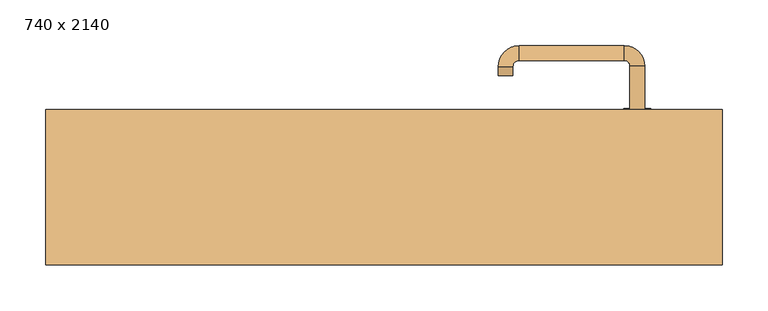
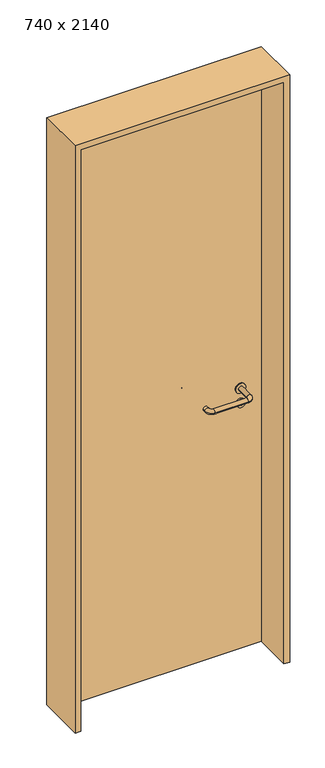
"""IFC4 building model written with IfcOpenShell, lengths in millimetres: door geometry, 740 x 2140."""

from ifc_helpers import new_model, si_unit, point, frame, frame_2d, origin, origin_with_axes, place, context, project, spatial, polyline, circle_curve, ellipse_curve, trimmed, segment, composite_curve, outline, extrude, source, transform, mapped, element, save
from ifc_brep_helpers import plane_surface, cylinder_surface, revolved_surface, advanced_brep


def door_740_x_2140_7834ea9a(model_context):
    return source(origin(), model_context, "Body", "SolidModel", [
        extrude(outline(composite_curve([segment(trimmed(circle_curve(frame_2d((897.3605726, 277.0)), 15.0), [point((897.3605726, 292.0))], [point((897.3605726, 262.0))], False, "CARTESIAN"), True, "CONTINUOUS"), segment(trimmed(circle_curve(frame_2d((897.3605726, 277.0)), 15.0), [point((897.3605726, 262.0))], [point((897.3605726, 292.0))], False, "CARTESIAN"), True, "CONTINUOUS")], self_intersect=False), holes=[composite_curve([segment(trimmed(circle_curve(frame_2d((892.5833211, 276.9398032)), 2.0), [point((892.5833211, 278.9398032))], [point((892.5833211, 274.9398032))], True, "CARTESIAN"), True, "CONTINUOUS"), segment(polyline([(892.5833211, 274.9398032), (902.5833211, 274.9398032)]), True, "CONTINUOUS"), segment(trimmed(circle_curve(frame_2d((902.5833211, 276.9398032)), 2.0), [point((902.5833211, 274.9398032))], [point((902.5833211, 278.9398032))], True, "CARTESIAN"), True, "CONTINUOUS"), segment(polyline([(902.5833211, 278.9398032), (892.5833211, 278.9398032)]), True, "CONTINUOUS")], self_intersect=False)]), frame((0.0, 123.65, 0.0), z_axis=(0.0, 1.0, 0.0), x_axis=(0.0, 0.0, 1.0)), (0.0, 0.0, 1.0), 6.35),
        extrude(outline(composite_curve([segment(trimmed(circle_curve(frame_2d((950.0, 277.0)), 17.526), [point((950.0, 294.526))], [point((950.0, 259.474))], False, "CARTESIAN"), True, "CONTINUOUS"), segment(trimmed(circle_curve(frame_2d((950.0, 277.0)), 17.526), [point((950.0, 259.474))], [point((950.0, 294.526))], False, "CARTESIAN"), True, "CONTINUOUS")], self_intersect=False)), frame((0.0, 126.825, 0.0), z_axis=(0.0, 1.0, 0.0), x_axis=(0.0, 0.0, 1.0)), (0.0, 0.0, 1.0), 3.175),
        advanced_brep(
        [(285.0, 130.0, 950.0), (269.0, 130.0, 950.0), (269.0, 77.0, 950.0), (285.0, 77.0, 950.0), (262.8578644, 70.8578644, 950.0), (262.8578644, 54.8578644, 950.0), (147.8578644, 70.8578644, 950.0), (147.8578644, 54.8578644, 950.0), (141.008622, 77.7071068, 950.0), (125.008622, 77.7071068, 950.0), (125.008622, 87.7071068, 950.0), (141.008622, 87.7071068, 950.0)],
        [
            (0, 1, circle_curve(frame((277.0, 130.0, 950.0), z_axis=(0.0, 1.0, 0.0), x_axis=(-1.0, 0.0, 0.0)), 8.0)),
            (1, 0, circle_curve(frame((277.0, 130.0, 950.0), z_axis=(0.0, 1.0, 0.0), x_axis=(-1.0, 0.0, 0.0)), 8.0)),
            (1, 2),
            (2, 3, circle_curve(frame((277.0, 77.0, 950.0), z_axis=(0.0, 1.0, 0.0), x_axis=(-1.0, 0.0, 0.0)), 8.0)),
            (3, 0),
            (3, 2, circle_curve(frame((277.0, 77.0, 950.0), z_axis=(0.0, 1.0, 0.0), x_axis=(-1.0, 0.0, 0.0)), 8.0)),
            (4, 5, circle_curve(frame((262.8578644, 62.8578644, 950.0), z_axis=(1.0, 0.0, 0.0), x_axis=(0.0, 1.0, 0.0)), 8.0)),
            (5, 3, circle_curve(frame((262.8578644, 77.0, 950.0), z_axis=(0.0, 0.0, 1.0), x_axis=(1.0, 0.0, 0.0)), 22.1421356)),
            (2, 4, circle_curve(frame((262.8578644, 77.0, 950.0), z_axis=(0.0, 0.0, -1.0), x_axis=(1.0, 0.0, 0.0)), 6.1421356)),
            (5, 4, circle_curve(frame((262.8578644, 62.8578644, 950.0), z_axis=(1.0, 0.0, 0.0), x_axis=(0.0, 1.0, 0.0)), 8.0)),
            (4, 6),
            (6, 7, circle_curve(frame((147.8578644, 62.8578644, 950.0), z_axis=(1.0, 0.0, 0.0), x_axis=(0.0, 1.0, 0.0)), 8.0)),
            (7, 5),
            (7, 6, circle_curve(frame((147.8578644, 62.8578644, 950.0), z_axis=(1.0, 0.0, 0.0), x_axis=(0.0, 1.0, 0.0)), 8.0)),
            (8, 9, circle_curve(frame((133.008622, 77.7071068, 950.0), z_axis=(0.0, -1.0, 0.0), x_axis=(1.0, 0.0, 0.0)), 8.0)),
            (9, 7, circle_curve(frame((147.8578644, 77.7071068, 950.0), z_axis=(0.0, 0.0, 1.0), x_axis=(0.0, -1.0, 0.0)), 22.8492424)),
            (6, 8, circle_curve(frame((147.8578644, 77.7071068, 950.0), z_axis=(0.0, 0.0, -1.0), x_axis=(0.0, -1.0, 0.0)), 6.8492424)),
            (9, 8, circle_curve(frame((133.008622, 77.7071068, 950.0), z_axis=(0.0, -1.0, 0.0), x_axis=(1.0, 0.0, 0.0)), 8.0)),
            (10, 11, circle_curve(frame((133.008622, 87.7071068, 950.0), z_axis=(0.0, 1.0, 0.0), x_axis=(1.0, 0.0, 0.0)), 8.0)),
            (11, 10, circle_curve(frame((133.008622, 87.7071068, 950.0), z_axis=(0.0, 1.0, 0.0), x_axis=(1.0, 0.0, 0.0)), 8.0)),
            (8, 11),
            (10, 9),
        ],
        [
            plane_surface(frame((277.0, 130.0, 0.0), z_axis=(0.0, 1.0, 0.0), x_axis=(0.0, 0.0, 1.0))),
            cylinder_surface(frame((277.0, 130.0, 950.0), z_axis=(0.0, 1.0, 0.0), x_axis=(-1.0, 0.0, 0.0)), 8.0),
            revolved_surface(trimmed(ellipse_curve(frame((277.0, 77.0, 950.0), z_axis=(0.0, -1.0, 0.0), x_axis=(-1.0, 0.0, 0.0)), 8.0, 8.0), [point((285.0, 77.0, 950.0))], [point((269.0, 77.0, 950.0))], True, "CARTESIAN"), (262.8578644, 77.0, 0.0), (0.0, 0.0, 1.0)),
            revolved_surface(trimmed(ellipse_curve(frame((277.0, 77.0, 950.0), z_axis=(0.0, -1.0, 0.0), x_axis=(-1.0, 0.0, 0.0)), 8.0, 8.0), [point((269.0, 77.0, 950.0))], [point((285.0, 77.0, 950.0))], True, "CARTESIAN"), (262.8578644, 77.0, 0.0), (0.0, 0.0, 1.0)),
            cylinder_surface(frame((262.8578644, 62.8578644, 950.0), z_axis=(1.0, 0.0, 0.0), x_axis=(0.0, 1.0, 0.0)), 8.0),
            revolved_surface(trimmed(ellipse_curve(frame((147.8578644, 62.8578644, 950.0), z_axis=(-1.0, 0.0, 0.0), x_axis=(0.0, 1.0, 0.0)), 8.0, 8.0), [point((147.8578644, 54.8578644, 950.0))], [point((147.8578644, 70.8578644, 950.0))], True, "CARTESIAN"), (147.8578644, 77.7071068, 0.0), (0.0, 0.0, 1.0)),
            revolved_surface(trimmed(ellipse_curve(frame((147.8578644, 62.8578644, 950.0), z_axis=(-1.0, 0.0, 0.0), x_axis=(0.0, 1.0, 0.0)), 8.0, 8.0), [point((147.8578644, 70.8578644, 950.0))], [point((147.8578644, 54.8578644, 950.0))], True, "CARTESIAN"), (147.8578644, 77.7071068, 0.0), (0.0, 0.0, 1.0)),
            plane_surface(frame((133.008622, 87.7071068, 0.0), z_axis=(0.0, 1.0, 0.0), x_axis=(0.0, 0.0, 1.0))),
            cylinder_surface(frame((133.008622, 77.7071068, 950.0), z_axis=(0.0, -1.0, 0.0), x_axis=(1.0, 0.0, 0.0)), 8.0),
        ],
        [
            (0, [[1, 2]]),
            (1, [[3, 4, 5, -2]]),
            (1, [[-5, 6, -3, -1]]),
            (2, [[7, 8, -4, 9]]),
            (3, [[10, -9, -6, -8]]),
            (4, [[11, 12, 13, -7]]),
            (4, [[-13, 14, -11, -10]]),
            (5, [[15, 16, -12, 17]]),
            (6, [[18, -17, -14, -16]]),
            (7, [[19, 20]]),
            (8, [[21, -19, 22, -15]]),
            (8, [[-22, -20, -21, -18]]),
        ],
    ),
        extrude(outline(composite_curve([segment(trimmed(circle_curve(frame_2d((0.0, -15.0)), 15.0), [point((0.0, -30.0))], [point((0.0, 0.0))], False, "CARTESIAN"), True, "CONTINUOUS"), segment(trimmed(circle_curve(frame_2d((0.0, -15.0)), 15.0), [point((0.0, 0.0))], [point((0.0, -30.0))], False, "CARTESIAN"), True, "CONTINUOUS")], self_intersect=False), holes=[composite_curve([segment(trimmed(circle_curve(frame_2d((4.7772515, -14.9398032)), 2.0), [point((4.7772515, -16.9398032))], [point((4.7772515, -12.9398032))], True, "CARTESIAN"), True, "CONTINUOUS"), segment(polyline([(4.7772515, -12.9398032), (-5.2227485, -12.9398032)]), True, "CONTINUOUS"), segment(trimmed(circle_curve(frame_2d((-5.2227485, -14.9398032)), 2.0), [point((-5.2227485, -12.9398032))], [point((-5.2227485, -16.9398032))], True, "CARTESIAN"), True, "CONTINUOUS"), segment(polyline([(-5.2227485, -16.9398032), (4.7772515, -16.9398032)]), True, "CONTINUOUS")], self_intersect=False)]), frame((262.0, 160.0, 897.3605726), z_axis=(1.8870575173328306e-12, 1.0, 0.0), x_axis=(0.0, 0.0, -1.0)), (0.0, 0.0, 1.0), 6.35),
        extrude(outline(composite_curve([segment(trimmed(circle_curve(frame_2d((0.0, -17.526)), 17.526), [point((0.0, -35.052))], [point((0.0, 0.0))], False, "CARTESIAN"), True, "CONTINUOUS"), segment(trimmed(circle_curve(frame_2d((0.0, -17.526)), 17.526), [point((0.0, 0.0))], [point((0.0, -35.052))], False, "CARTESIAN"), True, "CONTINUOUS")], self_intersect=False)), frame((259.474, 160.0, 950.0), z_axis=(1.8870575173328306e-12, 1.0, 0.0), x_axis=(0.0, 0.0, -1.0)), (0.0, 0.0, 1.0), 3.175),
        advanced_brep(
        [(285.0, 160.0, 950.0), (269.0, 160.0, 950.0), (285.0, 213.0, 950.0), (269.0, 213.0, 950.0), (262.8578644, 219.1421356, 950.0), (262.8578644, 235.1421356, 950.0), (147.8578644, 235.1421356, 950.0), (147.8578644, 219.1421356, 950.0), (141.008622, 212.2928932, 950.0), (125.008622, 212.2928932, 950.0), (125.008622, 202.2928932, 950.0), (141.008622, 202.2928932, 950.0)],
        [
            (0, 1, circle_curve(frame((277.0, 160.0, 950.0), z_axis=(-1.888672253512351e-12, -1.0, 0.0), x_axis=(-1.0, 1.888672253512351e-12, 0.0)), 8.0)),
            (1, 0, circle_curve(frame((277.0, 160.0, 950.0), z_axis=(-1.888672253512351e-12, -1.0, 0.0), x_axis=(-1.0, 1.888672253512351e-12, 0.0)), 8.0)),
            (0, 2),
            (2, 3, circle_curve(frame((277.0, 213.0, 950.0), z_axis=(-1.888672253512351e-12, -1.0, 0.0), x_axis=(-1.0, 1.888672253512351e-12, 0.0)), 8.0)),
            (3, 1),
            (3, 2, circle_curve(frame((277.0, 213.0, 950.0), z_axis=(-1.888672253512351e-12, -1.0, 0.0), x_axis=(-1.0, 1.888672253512351e-12, 0.0)), 8.0)),
            (4, 3, circle_curve(frame((262.8578644, 213.0, 950.0), z_axis=(0.0, 0.0, -1.0), x_axis=(1.0, -1.880717803715015e-12, 0.0)), 6.1421356)),
            (2, 5, circle_curve(frame((262.8578644, 213.0, 950.0), z_axis=(0.0, 0.0, 1.0), x_axis=(1.0, -1.880717803715015e-12, 0.0)), 22.1421356)),
            (5, 4, circle_curve(frame((262.8578644, 227.1421356, 950.0), z_axis=(1.0, -1.913702061528922e-12, 0.0), x_axis=(-1.913702061528922e-12, -1.0, 0.0)), 8.0)),
            (4, 5, circle_curve(frame((262.8578644, 227.1421356, 950.0), z_axis=(1.0, -1.913702061528922e-12, 0.0), x_axis=(-1.913702061528922e-12, -1.0, 0.0)), 8.0)),
            (5, 6),
            (6, 7, circle_curve(frame((147.8578644, 227.1421356, 950.0), z_axis=(1.0, -1.913719828541269e-12, 0.0), x_axis=(-1.913719828541269e-12, -1.0, 0.0)), 8.0)),
            (7, 4),
            (7, 6, circle_curve(frame((147.8578644, 227.1421356, 950.0), z_axis=(1.0, -1.913719828541269e-12, 0.0), x_axis=(-1.913719828541269e-12, -1.0, 0.0)), 8.0)),
            (8, 7, circle_curve(frame((147.8578644, 212.2928932, 950.0), z_axis=(0.0, 0.0, -1.0), x_axis=(1.9120873253494017e-12, 1.0, 0.0)), 6.8492424)),
            (6, 9, circle_curve(frame((147.8578644, 212.2928932, 950.0), z_axis=(0.0, 0.0, 1.0), x_axis=(1.9120873253494017e-12, 1.0, 0.0)), 22.8492424)),
            (9, 8, circle_curve(frame((133.008622, 212.2928932, 950.0), z_axis=(1.890448610351751e-12, 1.0, 0.0), x_axis=(1.0, -1.890448610351751e-12, 0.0)), 8.0)),
            (8, 9, circle_curve(frame((133.008622, 212.2928932, 950.0), z_axis=(1.8888942981172756e-12, 1.0, 0.0), x_axis=(1.0, -1.8888942981172756e-12, 0.0)), 8.0)),
            (10, 11, circle_curve(frame((133.008622, 202.2928932, 950.0), z_axis=(-1.8903642334018795e-12, -1.0, 0.0), x_axis=(1.0, -1.8903642334018795e-12, 0.0)), 8.0)),
            (11, 10, circle_curve(frame((133.008622, 202.2928932, 950.0), z_axis=(-1.8903642334018795e-12, -1.0, 0.0), x_axis=(1.0, -1.8903642334018795e-12, 0.0)), 8.0)),
            (9, 10),
            (11, 8),
        ],
        [
            plane_surface(frame((277.0, 160.0, 0.0), z_axis=(-1.8870575173328306e-12, -1.0, 0.0), x_axis=(0.0, 0.0, 1.0))),
            cylinder_surface(frame((277.0, 160.0, 950.0), z_axis=(-1.888672253512351e-12, -1.0, 0.0), x_axis=(-1.0, 1.888672253512351e-12, 0.0)), 8.0),
            revolved_surface(trimmed(ellipse_curve(frame((277.0, 213.0, 950.0), z_axis=(-1.8823325398945356e-12, -1.0, 0.0), x_axis=(-1.0, 1.8823325398945356e-12, 0.0)), 8.0, 8.0), [point((285.0, 213.0, 950.0))], [point((269.0, 213.0, 950.0))], True, "CARTESIAN"), (262.8578644, 213.0, 0.0), (0.0, 0.0, 1.0)),
            revolved_surface(trimmed(ellipse_curve(frame((277.0, 213.0, 950.0), z_axis=(-1.8823325398945356e-12, -1.0, 0.0), x_axis=(-1.0, 1.8823325398945356e-12, 0.0)), 8.0, 8.0), [point((269.0, 213.0, 950.0))], [point((285.0, 213.0, 950.0))], True, "CARTESIAN"), (262.8578644, 213.0, 0.0), (0.0, 0.0, 1.0)),
            cylinder_surface(frame((262.8578644, 227.1421356, 950.0), z_axis=(1.0, -1.913719828541269e-12, 0.0), x_axis=(-1.913719828541269e-12, -1.0, 0.0)), 8.0),
            revolved_surface(trimmed(ellipse_curve(frame((147.8578644, 227.1421356, 950.0), z_axis=(1.0, -1.913702061528922e-12, 0.0), x_axis=(-1.913702061528922e-12, -1.0, 0.0)), 8.0, 8.0), [point((147.8578644, 235.1421356, 950.0))], [point((147.8578644, 219.1421356, 950.0))], True, "CARTESIAN"), (147.8578644, 212.2928932, 0.0), (0.0, 0.0, 1.0)),
            revolved_surface(trimmed(ellipse_curve(frame((147.8578644, 227.1421356, 950.0), z_axis=(1.0, -1.913702061528922e-12, 0.0), x_axis=(-1.913702061528922e-12, -1.0, 0.0)), 8.0, 8.0), [point((147.8578644, 219.1421356, 950.0))], [point((147.8578644, 235.1421356, 950.0))], True, "CARTESIAN"), (147.8578644, 212.2928932, 0.0), (0.0, 0.0, 1.0)),
            plane_surface(frame((133.008622, 202.2928932, 0.0), z_axis=(-1.8887494972223595e-12, -1.0, 0.0), x_axis=(0.0, 0.0, 1.0))),
            cylinder_surface(frame((133.008622, 212.2928932, 950.0), z_axis=(1.8903642334018795e-12, 1.0, 0.0), x_axis=(1.0, -1.8903642334018795e-12, 0.0)), 8.0),
        ],
        [
            (0, [[1, 2]]),
            (1, [[-1, 3, 4, 5]]),
            (1, [[-2, -5, 6, -3]]),
            (2, [[7, -4, 8, 9]]),
            (3, [[-8, -6, -7, 10]]),
            (4, [[-9, 11, 12, 13]]),
            (4, [[-10, -13, 14, -11]]),
            (5, [[15, -12, 16, 17]]),
            (6, [[-16, -14, -15, 18]]),
            (7, [[19, 20]]),
            (8, [[-17, 21, -20, 22]]),
            (8, [[-18, -22, -19, -21]]),
        ],
    ),
        extrude(outline(polyline([(2120.0, 350.0), (0.0, 350.0), (0.0, 370.0), (2140.0, 370.0), (2140.0, -370.0), (0.0, -370.0), (0.0, -350.0), (2120.0, -350.0), (2120.0, 350.0)])), frame((0.0, -5.0, 0.0), z_axis=(0.0, 1.0, 0.0), x_axis=(0.0, 0.0, 1.0)), (0.0, 0.0, 1.0), 170.0),
        extrude(outline(polyline([(-350.0, 160.0), (350.0, 160.0), (350.0, 130.0), (-350.0, 130.0), (-350.0, 160.0)])), origin_with_axes(), (0.0, 0.0, 1.0), 2120.0),
    ])


if __name__ == "__main__":
    model = new_model("IFC4")
    model_context = context("Model", 3, world=origin())
    ifc_project = project(units=[si_unit("LENGTHUNIT", "METRE", prefix="MILLI")], contexts=[model_context])
    site = spatial("IfcSite", under=ifc_project)
    building = spatial("IfcBuilding", under=site)
    placement = place(None, origin())
    door_740_x_2140_shape = door_740_x_2140_7834ea9a(model_context)
    element("IfcDoor", 1, ObjectType="740 x 2140", at=placement, inside=building, context=model_context, shape_type="MappedRepresentation", body=[
        mapped(door_740_x_2140_shape, transform((0.0, 0.0, 0.0), x_axis=(1.0, 0.0, 0.0), y_axis=(0.0, 1.0, 0.0), z_axis=(0.0, 0.0, 1.0))),
    ])
    save(model, "model.ifc")
